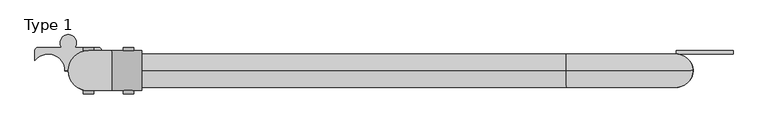
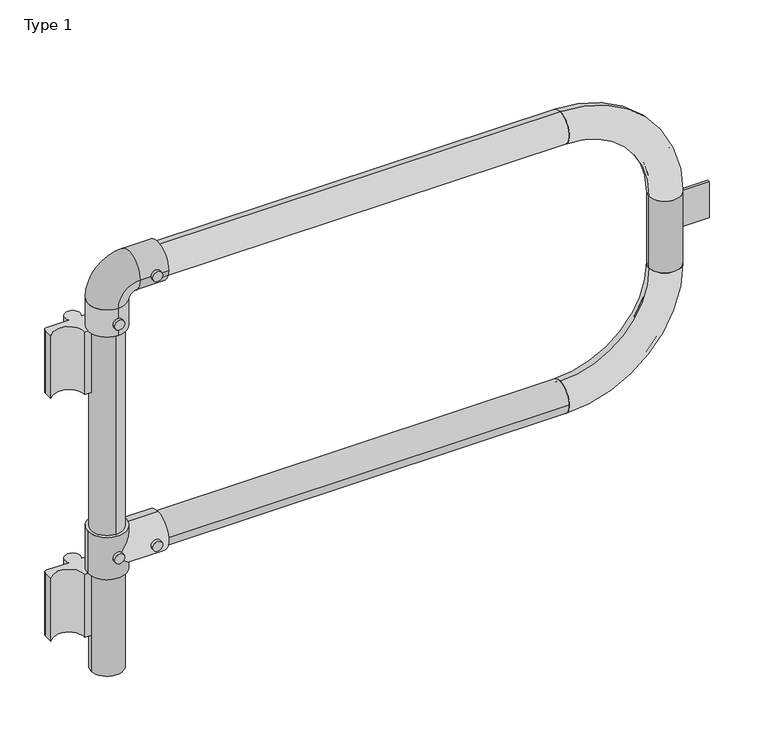
"""IFC4 building model written with IfcOpenShell, lengths in millimetres: proxy geometry, Type 1."""

from ifc_helpers import new_model, si_unit, point, frame, frame_2d, origin, origin_2d, place, context, project, spatial, polyline, circle_curve, ellipse_curve, trimmed, segment, composite_curve, outline, extrude, source, transform, mapped, element, save
from ifc_brep_helpers import plane_surface, cylinder_surface, revolved_surface, advanced_brep


def type_1_1345aad3(model_context):
    return source(origin(), model_context, "Body", "SolidModel", [
        extrude(outline(composite_curve([segment(trimmed(circle_curve(frame_2d((575.0, 0.0)), 8.0), [point((575.0, -8.0))], [point((575.0, 8.0))], False, "CARTESIAN"), True, "CONTINUOUS"), segment(trimmed(circle_curve(frame_2d((575.0, 0.0)), 8.0), [point((575.0, 8.0))], [point((575.0, -8.0))], False, "CARTESIAN"), True, "CONTINUOUS")], self_intersect=False)), frame((0.0, 30.0, 0.0), z_axis=(0.0, 1.0, 0.0), x_axis=(0.0, 0.0, 1.0)), (0.0, 0.0, 1.0), 5.0),
        extrude(outline(composite_curve([segment(trimmed(circle_curve(frame_2d((575.0, 60.0)), 8.0), [point((575.0, 52.0))], [point((575.0, 68.0))], False, "CARTESIAN"), True, "CONTINUOUS"), segment(trimmed(circle_curve(frame_2d((575.0, 60.0)), 8.0), [point((575.0, 68.0))], [point((575.0, 52.0))], False, "CARTESIAN"), True, "CONTINUOUS")], self_intersect=False)), frame((0.0, 30.0, 0.0), z_axis=(0.0, 1.0, 0.0), x_axis=(0.0, 0.0, 1.0)), (0.0, 0.0, 1.0), 5.0),
        extrude(outline(composite_curve([segment(trimmed(circle_curve(frame_2d((575.0, 0.0)), 8.0), [point((575.0, -8.0))], [point((575.0, 8.0))], False, "CARTESIAN"), True, "CONTINUOUS"), segment(trimmed(circle_curve(frame_2d((575.0, 0.0)), 8.0), [point((575.0, 8.0))], [point((575.0, -8.0))], False, "CARTESIAN"), True, "CONTINUOUS")], self_intersect=False)), frame((0.0, -35.0, 0.0), z_axis=(0.0, 1.0, 0.0), x_axis=(0.0, 0.0, 1.0)), (0.0, 0.0, 1.0), 5.0),
        extrude(outline(composite_curve([segment(trimmed(circle_curve(frame_2d((575.0, 60.0)), 8.0), [point((575.0, 52.0))], [point((575.0, 68.0))], False, "CARTESIAN"), True, "CONTINUOUS"), segment(trimmed(circle_curve(frame_2d((575.0, 60.0)), 8.0), [point((575.0, 68.0))], [point((575.0, 52.0))], False, "CARTESIAN"), True, "CONTINUOUS")], self_intersect=False)), frame((0.0, -35.0, 0.0), z_axis=(0.0, 1.0, 0.0), x_axis=(0.0, 0.0, 1.0)), (0.0, 0.0, 1.0), 5.0),
        advanced_brep(
        [(-30.0, 0.0, 610.0), (30.0, 0.0, 610.0), (0.0, -25.0, 610.0), (0.0, 25.0, 610.0), (-30.0, 0.0, 540.0), (30.0, 0.0, 540.0), (0.0, 25.0, 540.0), (0.0, -25.0, 540.0), (30.0, 0.0, 545.0), (0.0, -30.0, 575.0), (30.0, 0.0, 605.0), (0.0, 30.0, 575.0), (80.0, 0.0, 545.0), (80.0, 0.0, 605.0), (80.0, 0.0, 600.0), (80.0, 0.0, 550.0), (25.0, 0.0, 600.0), (0.0, 25.0, 575.0), (25.0, 0.0, 550.0), (0.0, -25.0, 575.0)],
        [
            (0, 1, circle_curve(frame((0.0, 0.0, 610.0), z_axis=(0.0, 0.0, 1.0), x_axis=(1.0, 0.0, 0.0)), 30.0)),
            (1, 0, circle_curve(frame((0.0, 0.0, 610.0), z_axis=(0.0, 0.0, 1.0), x_axis=(1.0, 0.0, 0.0)), 30.0)),
            (2, 3, circle_curve(frame((0.0, 0.0, 610.0), z_axis=(0.0, 0.0, -1.0), x_axis=(0.0, 1.0, 0.0)), 25.0)),
            (3, 2, circle_curve(frame((0.0, 0.0, 610.0), z_axis=(0.0, 0.0, -1.0), x_axis=(0.0, 1.0, 0.0)), 25.0)),
            (4, 5, circle_curve(frame((0.0, 0.0, 540.0), z_axis=(0.0, 0.0, -1.0), x_axis=(1.0, 0.0, 0.0)), 30.0)),
            (5, 4, circle_curve(frame((0.0, 0.0, 540.0), z_axis=(0.0, 0.0, -1.0), x_axis=(1.0, 0.0, 0.0)), 30.0)),
            (6, 7, circle_curve(frame((0.0, 0.0, 540.0), z_axis=(0.0, 0.0, 1.0), x_axis=(0.0, 1.0, 0.0)), 25.0)),
            (7, 6, circle_curve(frame((0.0, 0.0, 540.0), z_axis=(0.0, 0.0, 1.0), x_axis=(0.0, 1.0, 0.0)), 25.0)),
            (0, 4),
            (5, 8),
            (8, 9, ellipse_curve(frame((0.0, 0.0, 575.0), z_axis=(-0.7071067811865503, 0.0, -0.7071067811865447), x_axis=(-0.7071067811865447, 0.0, 0.7071067811865503)), 42.4264069, 30.0)),
            (9, 10, ellipse_curve(frame((0.0, 0.0, 575.0), z_axis=(-0.7071067811865447, 0.0, 0.7071067811865503), x_axis=(0.7071067811865503, 0.0, 0.7071067811865447)), 42.4264069, 30.0)),
            (10, 1),
            (10, 11, ellipse_curve(frame((0.0, 0.0, 575.0), z_axis=(-0.7071067811865447, 0.0, 0.7071067811865503), x_axis=(0.7071067811865503, 0.0, 0.7071067811865447)), 42.4264069, 30.0)),
            (11, 8, ellipse_curve(frame((0.0, 0.0, 575.0), z_axis=(-0.7071067811865503, 0.0, -0.7071067811865447), x_axis=(-0.7071067811865447, 0.0, 0.7071067811865503)), 42.4264069, 30.0)),
            (12, 13, circle_curve(frame((80.0, 0.0, 575.0), z_axis=(1.0, 0.0, 0.0), x_axis=(0.0, 0.0, 1.0)), 30.0)),
            (13, 12, circle_curve(frame((80.0, 0.0, 575.0), z_axis=(1.0, 0.0, 0.0), x_axis=(0.0, 0.0, 1.0)), 30.0)),
            (14, 15, circle_curve(frame((80.0, 0.0, 575.0), z_axis=(-1.0, 0.0, 0.0), x_axis=(0.0, 0.0, -1.0)), 25.0)),
            (15, 14, circle_curve(frame((80.0, 0.0, 575.0), z_axis=(-1.0, 0.0, 0.0), x_axis=(0.0, 0.0, -1.0)), 25.0)),
            (12, 8),
            (10, 13),
            (14, 16),
            (16, 17, ellipse_curve(frame((0.0, 0.0, 575.0), z_axis=(-0.7071067811865447, 0.0, 0.7071067811865503), x_axis=(-0.7071067811865503, 0.0, -0.7071067811865447)), 35.3553391, 25.0)),
            (17, 18, ellipse_curve(frame((0.0, 0.0, 575.0), z_axis=(-0.7071067811865503, 0.0, -0.7071067811865447), x_axis=(-0.7071067811865447, 0.0, 0.7071067811865503)), 35.3553391, 25.0)),
            (18, 15),
            (18, 19, ellipse_curve(frame((0.0, 0.0, 575.0), z_axis=(-0.7071067811865503, 0.0, -0.7071067811865447), x_axis=(-0.7071067811865447, 0.0, 0.7071067811865503)), 35.3553391, 25.0)),
            (19, 16, ellipse_curve(frame((0.0, 0.0, 575.0), z_axis=(-0.7071067811865447, 0.0, 0.7071067811865503), x_axis=(-0.7071067811865503, 0.0, -0.7071067811865447)), 35.3553391, 25.0)),
            (2, 19),
            (19, 7),
            (6, 17),
            (17, 3),
        ],
        [
            plane_surface(frame((30.0, 0.0, 610.0), z_axis=(0.0, 0.0, 1.0), x_axis=(0.0, 1.0, 0.0))),
            plane_surface(frame((30.0, 0.0, 540.0), z_axis=(0.0, 0.0, -1.0), x_axis=(0.0, -1.0, 0.0))),
            cylinder_surface(frame((0.0, 0.0, 540.0), z_axis=(0.0, 0.0, 1.0), x_axis=(1.0, 0.0, 0.0)), 30.0),
            plane_surface(frame((80.0, 0.0, 605.0), z_axis=(1.0, 0.0, 0.0), x_axis=(0.0, -1.0, 0.0))),
            cylinder_surface(frame((0.0, 0.0, 575.0), z_axis=(1.0, 0.0, 0.0), x_axis=(0.0, 0.0, 1.0)), 30.0),
            revolved_surface(polyline([(-25.000000028759985, 0.0, 550.0), (80.0, 0.0, 550.0)]), (80.0, 0.0, 575.0), (-1.0, 0.0, 0.0)),
            revolved_surface(polyline([(0.0, 25.0, 540.0), (0.0, 25.0, 610.0)]), (0.0, 0.0, 610.0), (0.0, 0.0, -1.0)),
            revolved_surface(polyline([(0.0, 25.0, 540.0), (0.0, 25.0, 600.00000002876)]), (0.0, 0.0, 610.0), (0.0, 0.0, -1.0)),
            revolved_surface(polyline([(0.0, 25.0, 549.9999999712402), (0.0, 25.0, 610.0)]), (0.0, 0.0, 610.0), (0.0, 0.0, -1.0)),
        ],
        [
            (0, [[1, 2], [3, 4]]),
            (1, [[5, 6], [7, 8]]),
            (2, [[-1, 9, -6, 10, 11, 12, 13]]),
            (2, [[-2, -13, 14, 15, -10, -5, -9]]),
            (3, [[16, 17], [18, 19]]),
            (4, [[-16, 20, -15, -14, 21]]),
            (4, [[-17, -21, -12, -11, -20]]),
            (5, [[-18, 22, 23, 24, 25]]),
            (5, [[-19, -25, 26, 27, -22]]),
            (6, [[28, 29, -7, 30, 31, -3]]),
            (7, [[-29, -26, -24, -30, -8]]),
            (8, [[-28, -4, -31, -23, -27]]),
        ],
    ),
        extrude(outline(composite_curve([segment(trimmed(circle_curve(frame_2d((1025.0, 60.0)), 8.0), [point((1025.0, 52.0))], [point((1025.0, 68.0))], False, "CARTESIAN"), True, "CONTINUOUS"), segment(trimmed(circle_curve(frame_2d((1025.0, 60.0)), 8.0), [point((1025.0, 68.0))], [point((1025.0, 52.0))], False, "CARTESIAN"), True, "CONTINUOUS")], self_intersect=False)), frame((0.0, -35.0, 0.0), z_axis=(0.0, 1.0, 0.0), x_axis=(0.0, 0.0, 1.0)), (0.0, 0.0, 1.0), 5.0),
        extrude(outline(composite_curve([segment(trimmed(circle_curve(frame_2d((965.0, 0.0)), 8.0), [point((965.0, -8.0))], [point((965.0, 8.0))], False, "CARTESIAN"), True, "CONTINUOUS"), segment(trimmed(circle_curve(frame_2d((965.0, 0.0)), 8.0), [point((965.0, 8.0))], [point((965.0, -8.0))], False, "CARTESIAN"), True, "CONTINUOUS")], self_intersect=False)), frame((0.0, -35.0, 0.0), z_axis=(0.0, 1.0, 0.0), x_axis=(0.0, 0.0, 1.0)), (0.0, 0.0, 1.0), 5.0),
        extrude(outline(composite_curve([segment(trimmed(circle_curve(frame_2d((1025.0, 60.0)), 8.0), [point((1025.0, 52.0))], [point((1025.0, 68.0))], False, "CARTESIAN"), True, "CONTINUOUS"), segment(trimmed(circle_curve(frame_2d((1025.0, 60.0)), 8.0), [point((1025.0, 68.0))], [point((1025.0, 52.0))], False, "CARTESIAN"), True, "CONTINUOUS")], self_intersect=False)), frame((0.0, 30.0, 0.0), z_axis=(0.0, 1.0, 0.0), x_axis=(0.0, 0.0, 1.0)), (0.0, 0.0, 1.0), 5.0),
        extrude(outline(composite_curve([segment(trimmed(circle_curve(frame_2d((965.0, 0.0)), 8.0), [point((965.0, -8.0))], [point((965.0, 8.0))], False, "CARTESIAN"), True, "CONTINUOUS"), segment(trimmed(circle_curve(frame_2d((965.0, 0.0)), 8.0), [point((965.0, 8.0))], [point((965.0, -8.0))], False, "CARTESIAN"), True, "CONTINUOUS")], self_intersect=False)), frame((0.0, 30.0, 0.0), z_axis=(0.0, 1.0, 0.0), x_axis=(0.0, 0.0, 1.0)), (0.0, 0.0, 1.0), 5.0),
        advanced_brep(
        [(0.0, 30.0, 945.0), (0.0, -30.0, 945.0), (0.0, 25.0, 945.0), (0.0, -25.0, 945.0), (0.0, -30.0, 990.0), (0.0, 30.0, 990.0), (35.0, -30.0, 1025.0), (35.0, 30.0, 1025.0), (80.0, 30.0, 1025.0), (80.0, -30.0, 1025.0), (80.0, 25.0, 1025.0), (80.0, -25.0, 1025.0), (0.0, -25.0, 990.0), (0.0, 25.0, 990.0), (35.0, -25.0, 1025.0), (35.0, 25.0, 1025.0)],
        [
            (0, 1, circle_curve(frame((0.0, 0.0, 945.0), z_axis=(0.0, 0.0, -1.0), x_axis=(0.0, -1.0, 0.0)), 30.0)),
            (1, 0, circle_curve(frame((0.0, 0.0, 945.0), z_axis=(0.0, 0.0, -1.0), x_axis=(0.0, -1.0, 0.0)), 30.0)),
            (2, 3, circle_curve(frame((0.0, 0.0, 945.0), z_axis=(0.0, 0.0, 1.0), x_axis=(0.0, -1.0, 0.0)), 25.0)),
            (3, 2, circle_curve(frame((0.0, 0.0, 945.0), z_axis=(0.0, 0.0, 1.0), x_axis=(0.0, -1.0, 0.0)), 25.0)),
            (1, 4),
            (4, 5, circle_curve(frame((0.0, 0.0, 990.0), z_axis=(0.0, 0.0, -1.0), x_axis=(0.0, -1.0, 0.0)), 30.0)),
            (5, 0),
            (5, 4, circle_curve(frame((0.0, 0.0, 990.0), z_axis=(0.0, 0.0, -1.0), x_axis=(0.0, -1.0, 0.0)), 30.0)),
            (6, 7, circle_curve(frame((35.0, 0.0, 1025.0), z_axis=(-1.0, 0.0, 0.0), x_axis=(0.0, -1.0, 0.0)), 30.0)),
            (7, 5, circle_curve(frame((35.0, 30.0, 990.0), z_axis=(0.0, -1.0, 0.0), x_axis=(-1.0, 0.0, 0.0)), 35.0)),
            (4, 6, circle_curve(frame((35.0, -30.0, 990.0), z_axis=(0.0, 1.0, 0.0), x_axis=(-1.0, 0.0, 0.0)), 35.0)),
            (7, 6, circle_curve(frame((35.0, 0.0, 1025.0), z_axis=(-1.0, 0.0, 0.0), x_axis=(0.0, -1.0, 0.0)), 30.0)),
            (8, 9, circle_curve(frame((80.0, 0.0, 1025.0), z_axis=(1.0, 0.0, 0.0), x_axis=(0.0, -1.0, 0.0)), 30.0)),
            (9, 8, circle_curve(frame((80.0, 0.0, 1025.0), z_axis=(1.0, 0.0, 0.0), x_axis=(0.0, -1.0, 0.0)), 30.0)),
            (10, 11, circle_curve(frame((80.0, 0.0, 1025.0), z_axis=(-1.0, 0.0, 0.0), x_axis=(0.0, -1.0, 0.0)), 25.0)),
            (11, 10, circle_curve(frame((80.0, 0.0, 1025.0), z_axis=(-1.0, 0.0, 0.0), x_axis=(0.0, -1.0, 0.0)), 25.0)),
            (6, 9),
            (8, 7),
            (3, 12),
            (12, 13, circle_curve(frame((0.0, 0.0, 990.0), z_axis=(0.0, 0.0, 1.0), x_axis=(0.0, -1.0, 0.0)), 25.0)),
            (13, 2),
            (13, 12, circle_curve(frame((0.0, 0.0, 990.0), z_axis=(0.0, 0.0, 1.0), x_axis=(0.0, -1.0, 0.0)), 25.0)),
            (14, 15, circle_curve(frame((35.0, 0.0, 1025.0), z_axis=(1.0, 0.0, 0.0), x_axis=(0.0, -1.0, 0.0)), 25.0)),
            (15, 13, circle_curve(frame((35.0, 25.0, 990.0), z_axis=(0.0, -1.0, 0.0), x_axis=(-1.0, 0.0, 0.0)), 35.0)),
            (12, 14, circle_curve(frame((35.0, -25.0, 990.0), z_axis=(0.0, 1.0, 0.0), x_axis=(-1.0, 0.0, 0.0)), 35.0)),
            (15, 14, circle_curve(frame((35.0, 0.0, 1025.0), z_axis=(1.0, 0.0, 0.0), x_axis=(0.0, -1.0, 0.0)), 25.0)),
            (14, 11),
            (10, 15),
        ],
        [
            plane_surface(frame((30.0, 0.0, 945.0), z_axis=(0.0, 0.0, -1.0), x_axis=(0.0, 1.0, 0.0))),
            cylinder_surface(frame((0.0, 0.0, 945.0), z_axis=(0.0, 0.0, -1.0), x_axis=(0.0, -1.0, 0.0)), 30.0),
            revolved_surface(trimmed(ellipse_curve(frame((0.0, 0.0, 990.0), z_axis=(0.0, 0.0, 1.0), x_axis=(0.0, -1.0, 0.0)), 30.0, 30.0), [point((0.0, 30.0, 990.0))], [point((0.0, -30.0, 990.0))], True, "CARTESIAN"), (35.0, 0.0, 990.0), (0.0, -1.0, 0.0)),
            revolved_surface(trimmed(ellipse_curve(frame((0.0, 0.0, 990.0), z_axis=(0.0, 0.0, 1.0), x_axis=(0.0, -1.0, 0.0)), 30.0, 30.0), [point((0.0, -30.0, 990.0))], [point((0.0, 30.0, 990.0))], True, "CARTESIAN"), (35.0, 0.0, 990.0), (0.0, -1.0, 0.0)),
            plane_surface(frame((80.0, 0.0, 995.0), z_axis=(1.0, 0.0, 0.0), x_axis=(0.0, 1.0, 0.0))),
            cylinder_surface(frame((35.0, 0.0, 1025.0), z_axis=(-1.0, 0.0, 0.0), x_axis=(0.0, -1.0, 0.0)), 30.0),
            revolved_surface(polyline([(0.0, -25.0, 990.0), (0.0, -25.0, 945.0)]), (0.0, 0.0, 945.0), (0.0, 0.0, 1.0)),
            revolved_surface(trimmed(ellipse_curve(frame((0.0, 0.0, 990.0), z_axis=(0.0, 0.0, -1.0), x_axis=(0.0, -1.0, 0.0)), 25.0, 25.0), [point((0.0, 25.0, 990.0))], [point((0.0, -25.0, 990.0))], True, "CARTESIAN"), (35.0, 0.0, 990.0), (0.0, -1.0, 0.0)),
            revolved_surface(trimmed(ellipse_curve(frame((0.0, 0.0, 990.0), z_axis=(0.0, 0.0, -1.0), x_axis=(0.0, -1.0, 0.0)), 25.0, 25.0), [point((0.0, -25.0, 990.0))], [point((0.0, 25.0, 990.0))], True, "CARTESIAN"), (35.0, 0.0, 990.0), (0.0, -1.0, 0.0)),
            revolved_surface(polyline([(80.0, -25.0, 1025.0), (35.0, -25.0, 1025.0)]), (35.0, 0.0, 1025.0), (1.0, 0.0, 0.0)),
        ],
        [
            (0, [[1, 2], [3, 4]]),
            (1, [[5, 6, 7, -2]]),
            (1, [[-7, 8, -5, -1]]),
            (2, [[9, 10, -6, 11]]),
            (3, [[12, -11, -8, -10]]),
            (4, [[13, 14], [15, 16]]),
            (5, [[17, -13, 18, -9]]),
            (5, [[-18, -14, -17, -12]]),
            (6, [[19, 20, 21, -4]]),
            (6, [[-21, 22, -19, -3]]),
            (7, [[23, 24, -20, 25]]),
            (8, [[26, -25, -22, -24]]),
            (9, [[27, -15, 28, -23]]),
            (9, [[-28, -16, -27, -26]]),
        ],
    ),
        extrude(outline(composite_curve([segment(trimmed(circle_curve(origin_2d(), 25.0), [point((20.0, 15.0))], [point((0.0, 25.0))], True, "CARTESIAN"), True, "CONTINUOUS"), segment(trimmed(circle_curve(origin_2d(), 25.0), [point((0.0, 25.0))], [point((-25.0, 0.0))], True, "CARTESIAN"), True, "CONTINUOUS"), segment(polyline([(-25.0, 0.0), (-35.0, 0.0)]), True, "CONTINUOUS"), segment(trimmed(circle_curve(frame_2d((-60.0, 0.0)), 25.0), [point((-35.0, 0.0))], [point((-80.0, 15.0))], True, "CARTESIAN"), True, "CONTINUOUS"), segment(polyline([(-80.0, 15.0), (-80.0, 30.0)]), True, "CONTINUOUS"), segment(trimmed(circle_curve(frame_2d((-75.0, 30.0)), 5.0), [point((-80.0, 30.0))], [point((-75.0, 35.0))], False, "CARTESIAN"), True, "CONTINUOUS"), segment(polyline([(-75.0, 35.0), (-39.7467943, 35.0)]), True, "CONTINUOUS"), segment(trimmed(circle_curve(frame_2d((-30.0, 42.0)), 12.0), [point((-39.7467943, 35.0))], [point((-20.2532057, 35.0))], False, "CARTESIAN"), True, "CONTINUOUS"), segment(polyline([(-20.2532057, 35.0), (15.0, 35.0)]), True, "CONTINUOUS"), segment(trimmed(circle_curve(frame_2d((15.0, 30.0)), 5.0), [point((15.0, 35.0))], [point((20.0, 30.0))], False, "CARTESIAN"), True, "CONTINUOUS"), segment(polyline([(20.0, 30.0), (20.0, 15.0)]), True, "CONTINUOUS")], self_intersect=False)), frame((0.0, 0.0, 840.0), z_axis=(0.0, 0.0, 1.0), x_axis=(1.0, 0.0, 0.0)), (0.0, 0.0, 1.0), 105.0),
        extrude(outline(composite_curve([segment(trimmed(circle_curve(origin_2d(), 25.0), [point((0.0, 25.0))], [point((-25.0, 0.0))], True, "CARTESIAN"), True, "CONTINUOUS"), segment(polyline([(-25.0, 0.0), (-35.0, 0.0)]), True, "CONTINUOUS"), segment(trimmed(circle_curve(frame_2d((-60.0, 0.0)), 25.0), [point((-35.0, 0.0))], [point((-80.0, 15.0))], True, "CARTESIAN"), True, "CONTINUOUS"), segment(polyline([(-80.0, 15.0), (-80.0, 30.0)]), True, "CONTINUOUS"), segment(trimmed(circle_curve(frame_2d((-75.0, 30.0)), 5.0), [point((-80.0, 30.0))], [point((-75.0, 35.0))], False, "CARTESIAN"), True, "CONTINUOUS"), segment(polyline([(-75.0, 35.0), (-39.7467943, 35.0)]), True, "CONTINUOUS"), segment(trimmed(circle_curve(frame_2d((-30.0, 42.0)), 12.0), [point((-39.7467943, 35.0))], [point((-20.2532057, 35.0))], False, "CARTESIAN"), True, "CONTINUOUS"), segment(polyline([(-20.2532057, 35.0), (15.0, 35.0)]), True, "CONTINUOUS"), segment(trimmed(circle_curve(frame_2d((15.0, 30.0)), 5.0), [point((15.0, 35.0))], [point((20.0, 30.0))], False, "CARTESIAN"), True, "CONTINUOUS"), segment(polyline([(20.0, 30.0), (20.0, 15.0)]), True, "CONTINUOUS"), segment(trimmed(circle_curve(origin_2d(), 25.0), [point((20.0, 15.0))], [point((0.0, 25.0))], True, "CARTESIAN"), True, "CONTINUOUS")], self_intersect=False)), frame((0.0, 0.0, 435.0), z_axis=(0.0, 0.0, 1.0), x_axis=(1.0, 0.0, 0.0)), (0.0, 0.0, 1.0), 105.0),
        extrude(outline(polyline([(965.0, 25.0), (880.0, 25.0), (880.0, 30.0), (965.0, 30.0), (965.0, 25.0)])), frame((0.0, 0.0, 770.0), z_axis=(0.0, 0.0, 1.0), x_axis=(1.0, 0.0, 0.0)), (0.0, 0.0, 1.0), 60.0),
        advanced_brep(
        [(715.0, 0.0, 550.0), (715.0, 0.0, 600.0), (715.0, 0.0, 555.0), (715.0, 0.0, 595.0), (905.0, 0.0, 740.0), (855.0, 0.0, 740.0), (900.0, 0.0, 740.0), (860.0, 0.0, 740.0)],
        [
            (0, 1, circle_curve(frame((715.0, 0.0, 575.0), z_axis=(-1.0, 0.0, 0.0), x_axis=(0.0, 0.0, 1.0)), 25.0)),
            (1, 0, circle_curve(frame((715.0, 0.0, 575.0), z_axis=(-1.0, 0.0, 0.0), x_axis=(0.0, 0.0, 1.0)), 25.0)),
            (2, 3, circle_curve(frame((715.0, 0.0, 575.0), z_axis=(1.0, 0.0, 0.0), x_axis=(0.0, 0.0, 1.0)), 20.0)),
            (3, 2, circle_curve(frame((715.0, 0.0, 575.0), z_axis=(1.0, 0.0, 0.0), x_axis=(0.0, 0.0, 1.0)), 20.0)),
            (4, 5, circle_curve(frame((880.0, 0.0, 740.0), z_axis=(0.0, 0.0, 1.0), x_axis=(-1.0, 0.0, 0.0)), 25.0)),
            (5, 4, circle_curve(frame((880.0, 0.0, 740.0), z_axis=(0.0, 0.0, 1.0), x_axis=(-1.0, 0.0, 0.0)), 25.0)),
            (6, 7, circle_curve(frame((880.0, 0.0, 740.0), z_axis=(0.0, 0.0, -1.0), x_axis=(-1.0, 0.0, 0.0)), 20.0)),
            (7, 6, circle_curve(frame((880.0, 0.0, 740.0), z_axis=(0.0, 0.0, -1.0), x_axis=(-1.0, 0.0, 0.0)), 20.0)),
            (4, 0, circle_curve(frame((715.0, 0.0, 740.0), z_axis=(0.0, 1.0, 0.0), x_axis=(0.0, 0.0, -1.0)), 190.0)),
            (1, 5, circle_curve(frame((715.0, 0.0, 740.0), z_axis=(0.0, -1.0, 0.0), x_axis=(0.0, 0.0, -1.0)), 140.0)),
            (6, 2, circle_curve(frame((715.0, 0.0, 740.0), z_axis=(0.0, 1.0, 0.0), x_axis=(0.0, 0.0, -1.0)), 185.0)),
            (3, 7, circle_curve(frame((715.0, 0.0, 740.0), z_axis=(0.0, -1.0, 0.0), x_axis=(0.0, 0.0, -1.0)), 145.0)),
        ],
        [
            plane_surface(frame((715.0, 0.0, 575.0), z_axis=(-1.0, 0.0, 0.0), x_axis=(0.0, 1.0, 0.0))),
            plane_surface(frame((880.0, 0.0, 740.0), z_axis=(0.0, 0.0, 1.0), x_axis=(0.0, 1.0, 0.0))),
            revolved_surface(trimmed(ellipse_curve(frame((715.0, 0.0, 575.0), z_axis=(1.0, 0.0, 0.0), x_axis=(0.0, 0.0, 1.0)), 25.0, 25.0), [point((715.0, 0.0, 550.0))], [point((715.0, 0.0, 600.0))], True, "CARTESIAN"), (715.0, 0.0, 740.0), (0.0, 1.0, 0.0)),
            revolved_surface(trimmed(ellipse_curve(frame((715.0, 0.0, 575.0), z_axis=(1.0, 0.0, 0.0), x_axis=(0.0, 0.0, 1.0)), 25.0, 25.0), [point((715.0, 0.0, 600.0))], [point((715.0, 0.0, 550.0))], True, "CARTESIAN"), (715.0, 0.0, 740.0), (0.0, 1.0, 0.0)),
            revolved_surface(trimmed(ellipse_curve(frame((715.0, 0.0, 575.0), z_axis=(-1.0, 0.0, 0.0), x_axis=(0.0, 0.0, 1.0)), 20.0, 20.0), [point((715.0, 0.0, 555.0))], [point((715.0, 0.0, 595.0))], True, "CARTESIAN"), (715.0, 0.0, 740.0), (0.0, 1.0, 0.0)),
            revolved_surface(trimmed(ellipse_curve(frame((715.0, 0.0, 575.0), z_axis=(-1.0, 0.0, 0.0), x_axis=(0.0, 0.0, 1.0)), 20.0, 20.0), [point((715.0, 0.0, 595.0))], [point((715.0, 0.0, 555.0))], True, "CARTESIAN"), (715.0, 0.0, 740.0), (0.0, 1.0, 0.0)),
        ],
        [
            (0, [[1, 2], [3, 4]]),
            (1, [[5, 6], [7, 8]]),
            (2, [[-5, 9, -2, 10]]),
            (3, [[-6, -10, -1, -9]]),
            (4, [[-7, 11, -4, 12]]),
            (5, [[-8, -12, -3, -11]]),
        ],
    ),
        advanced_brep(
        [(715.0, 0.0, 1000.0), (715.0, 0.0, 1050.0), (715.0, 0.0, 1005.0), (715.0, 0.0, 1045.0), (855.0, 0.0, 860.0), (905.0, 0.0, 860.0), (860.0, 0.0, 860.0), (900.0, 0.0, 860.0)],
        [
            (0, 1, circle_curve(frame((715.0, 0.0, 1025.0), z_axis=(-1.0, 0.0, 0.0), x_axis=(0.0, 0.0, 1.0)), 25.0)),
            (1, 0, circle_curve(frame((715.0, 0.0, 1025.0), z_axis=(-1.0, 0.0, 0.0), x_axis=(0.0, 0.0, 1.0)), 25.0)),
            (2, 3, circle_curve(frame((715.0, 0.0, 1025.0), z_axis=(1.0, 0.0, 0.0), x_axis=(0.0, 0.0, 1.0)), 20.0)),
            (3, 2, circle_curve(frame((715.0, 0.0, 1025.0), z_axis=(1.0, 0.0, 0.0), x_axis=(0.0, 0.0, 1.0)), 20.0)),
            (4, 5, circle_curve(frame((880.0, 0.0, 860.0), z_axis=(0.0, 0.0, -1.0), x_axis=(1.0, 0.0, 0.0)), 25.0)),
            (5, 4, circle_curve(frame((880.0, 0.0, 860.0), z_axis=(0.0, 0.0, -1.0), x_axis=(1.0, 0.0, 0.0)), 25.0)),
            (6, 7, circle_curve(frame((880.0, 0.0, 860.0), z_axis=(0.0, 0.0, 1.0), x_axis=(1.0, 0.0, 0.0)), 20.0)),
            (7, 6, circle_curve(frame((880.0, 0.0, 860.0), z_axis=(0.0, 0.0, 1.0), x_axis=(1.0, 0.0, 0.0)), 20.0)),
            (4, 0, circle_curve(frame((715.0, 0.0, 860.0), z_axis=(0.0, -1.0, 0.0), x_axis=(0.0, 0.0, 1.0)), 140.0)),
            (1, 5, circle_curve(frame((715.0, 0.0, 860.0), z_axis=(0.0, 1.0, 0.0), x_axis=(0.0, 0.0, 1.0)), 190.0)),
            (6, 2, circle_curve(frame((715.0, 0.0, 860.0), z_axis=(0.0, -1.0, 0.0), x_axis=(0.0, 0.0, 1.0)), 145.0)),
            (3, 7, circle_curve(frame((715.0, 0.0, 860.0), z_axis=(0.0, 1.0, 0.0), x_axis=(0.0, 0.0, 1.0)), 185.0)),
        ],
        [
            plane_surface(frame((715.0, 0.0, 1025.0), z_axis=(-1.0, 0.0, 0.0), x_axis=(0.0, 1.0, 0.0))),
            plane_surface(frame((880.0, 0.0, 860.0), z_axis=(0.0, 0.0, -1.0), x_axis=(0.0, 1.0, 0.0))),
            revolved_surface(trimmed(ellipse_curve(frame((715.0, 0.0, 1025.0), z_axis=(1.0, 0.0, 0.0), x_axis=(0.0, 0.0, 1.0)), 25.0, 25.0), [point((715.0, 0.0, 1000.0))], [point((715.0, 0.0, 1050.0))], True, "CARTESIAN"), (715.0, 0.0, 860.0), (0.0, -1.0, 0.0)),
            revolved_surface(trimmed(ellipse_curve(frame((715.0, 0.0, 1025.0), z_axis=(1.0, 0.0, 0.0), x_axis=(0.0, 0.0, 1.0)), 25.0, 25.0), [point((715.0, 0.0, 1050.0))], [point((715.0, 0.0, 1000.0))], True, "CARTESIAN"), (715.0, 0.0, 860.0), (0.0, -1.0, 0.0)),
            revolved_surface(trimmed(ellipse_curve(frame((715.0, 0.0, 1025.0), z_axis=(-1.0, 0.0, 0.0), x_axis=(0.0, 0.0, 1.0)), 20.0, 20.0), [point((715.0, 0.0, 1005.0))], [point((715.0, 0.0, 1045.0))], True, "CARTESIAN"), (715.0, 0.0, 860.0), (0.0, -1.0, 0.0)),
            revolved_surface(trimmed(ellipse_curve(frame((715.0, 0.0, 1025.0), z_axis=(-1.0, 0.0, 0.0), x_axis=(0.0, 0.0, 1.0)), 20.0, 20.0), [point((715.0, 0.0, 1045.0))], [point((715.0, 0.0, 1005.0))], True, "CARTESIAN"), (715.0, 0.0, 860.0), (0.0, -1.0, 0.0)),
        ],
        [
            (0, [[1, 2], [3, 4]]),
            (1, [[5, 6], [7, 8]]),
            (2, [[-5, 9, -2, 10]]),
            (3, [[-6, -10, -1, -9]]),
            (4, [[-7, 11, -4, 12]]),
            (5, [[-8, -12, -3, -11]]),
        ],
    ),
        extrude(outline(composite_curve([segment(trimmed(circle_curve(frame_2d((880.0, 0.0)), 25.0), [point((905.0, 0.0))], [point((855.0, 0.0))], False, "CARTESIAN"), True, "CONTINUOUS"), segment(trimmed(circle_curve(frame_2d((880.0, 0.0)), 25.0), [point((855.0, 0.0))], [point((905.0, 0.0))], False, "CARTESIAN"), True, "CONTINUOUS")], self_intersect=False), holes=[composite_curve([segment(trimmed(circle_curve(frame_2d((880.0, 0.0)), 20.0), [point((900.0, 0.0))], [point((860.0, 0.0))], True, "CARTESIAN"), True, "CONTINUOUS"), segment(trimmed(circle_curve(frame_2d((880.0, 0.0)), 20.0), [point((860.0, 0.0))], [point((900.0, 0.0))], True, "CARTESIAN"), True, "CONTINUOUS")], self_intersect=False)]), frame((0.0, 0.0, 740.0), z_axis=(0.0, 0.0, 1.0), x_axis=(1.0, 0.0, 0.0)), (0.0, 0.0, 1.0), 120.0),
        extrude(outline(composite_curve([segment(trimmed(circle_curve(frame_2d((0.0, 575.0)), 25.0), [point((25.0, 575.0))], [point((-25.0, 575.0))], False, "CARTESIAN"), True, "CONTINUOUS"), segment(trimmed(circle_curve(frame_2d((0.0, 575.0)), 25.0), [point((-25.0, 575.0))], [point((25.0, 575.0))], False, "CARTESIAN"), True, "CONTINUOUS")], self_intersect=False), holes=[composite_curve([segment(trimmed(circle_curve(frame_2d((0.0, 575.0)), 20.0), [point((20.0, 575.0))], [point((-20.0, 575.0))], True, "CARTESIAN"), True, "CONTINUOUS"), segment(trimmed(circle_curve(frame_2d((0.0, 575.0)), 20.0), [point((-20.0, 575.0))], [point((20.0, 575.0))], True, "CARTESIAN"), True, "CONTINUOUS")], self_intersect=False)]), frame((80.0, 0.0, 0.0), z_axis=(1.0, 0.0, 0.0), x_axis=(0.0, 1.0, 0.0)), (0.0, 0.0, 1.0), 635.0),
        extrude(outline(composite_curve([segment(trimmed(circle_curve(frame_2d((0.0, 1025.0)), 25.0), [point((0.0, 1050.0))], [point((0.0, 1000.0))], False, "CARTESIAN"), True, "CONTINUOUS"), segment(trimmed(circle_curve(frame_2d((0.0, 1025.0)), 25.0), [point((0.0, 1000.0))], [point((0.0, 1050.0))], False, "CARTESIAN"), True, "CONTINUOUS")], self_intersect=False), holes=[composite_curve([segment(trimmed(circle_curve(frame_2d((0.0, 1025.0)), 20.0), [point((0.0, 1045.0))], [point((0.0, 1005.0))], True, "CARTESIAN"), True, "CONTINUOUS"), segment(trimmed(circle_curve(frame_2d((0.0, 1025.0)), 20.0), [point((0.0, 1005.0))], [point((0.0, 1045.0))], True, "CARTESIAN"), True, "CONTINUOUS")], self_intersect=False)]), frame((80.0, 0.0, 0.0), z_axis=(1.0, 0.0, 0.0), x_axis=(0.0, 1.0, 0.0)), (0.0, 0.0, 1.0), 635.0),
        extrude(outline(composite_curve([segment(trimmed(circle_curve(origin_2d(), 25.0), [point((0.0, 25.0))], [point((0.0, -25.0))], False, "CARTESIAN"), True, "CONTINUOUS"), segment(trimmed(circle_curve(origin_2d(), 25.0), [point((0.0, -25.0))], [point((0.0, 25.0))], False, "CARTESIAN"), True, "CONTINUOUS")], self_intersect=False), holes=[composite_curve([segment(trimmed(circle_curve(origin_2d(), 20.0), [point((0.0, 20.0))], [point((0.0, -20.0))], True, "CARTESIAN"), True, "CONTINUOUS"), segment(trimmed(circle_curve(origin_2d(), 20.0), [point((0.0, -20.0))], [point((0.0, 20.0))], True, "CARTESIAN"), True, "CONTINUOUS")], self_intersect=False)]), frame((0.0, 0.0, 610.0), z_axis=(0.0, 0.0, 1.0), x_axis=(1.0, 0.0, 0.0)), (0.0, 0.0, 1.0), 335.0),
        extrude(outline(composite_curve([segment(trimmed(circle_curve(origin_2d(), 25.0), [point((25.0, 0.0))], [point((-25.0, 0.0))], False, "CARTESIAN"), True, "CONTINUOUS"), segment(trimmed(circle_curve(origin_2d(), 25.0), [point((-25.0, 0.0))], [point((25.0, 0.0))], False, "CARTESIAN"), True, "CONTINUOUS")], self_intersect=False), holes=[composite_curve([segment(trimmed(circle_curve(origin_2d(), 20.0), [point((20.0, 0.0))], [point((-20.0, 0.0))], True, "CARTESIAN"), True, "CONTINUOUS"), segment(trimmed(circle_curve(origin_2d(), 20.0), [point((-20.0, 0.0))], [point((20.0, 0.0))], True, "CARTESIAN"), True, "CONTINUOUS")], self_intersect=False)]), frame((0.0, 0.0, 375.0), z_axis=(0.0, 0.0, 1.0), x_axis=(1.0, 0.0, 0.0)), (0.0, 0.0, 1.0), 165.0),
    ])


if __name__ == "__main__":
    model = new_model("IFC4")
    model_context = context("Model", 3, world=origin())
    ifc_project = project(units=[si_unit("LENGTHUNIT", "METRE", prefix="MILLI")], contexts=[model_context])
    site = spatial("IfcSite", under=ifc_project)
    building = spatial("IfcBuilding", under=site)
    placement = place(None, origin())
    type_1_shape = type_1_1345aad3(model_context)
    element("IfcBuildingElementProxy", 1, Name="Type 1", ObjectType="Type 1", at=placement, inside=building, context=model_context, shape_type="MappedRepresentation", body=[
        mapped(type_1_shape, transform((0.0, 0.0, 0.0), x_axis=(1.0, 0.0, 0.0), y_axis=(0.0, 1.0, 0.0), z_axis=(0.0, 0.0, 1.0))),
    ])
    save(model, "model.ifc")
